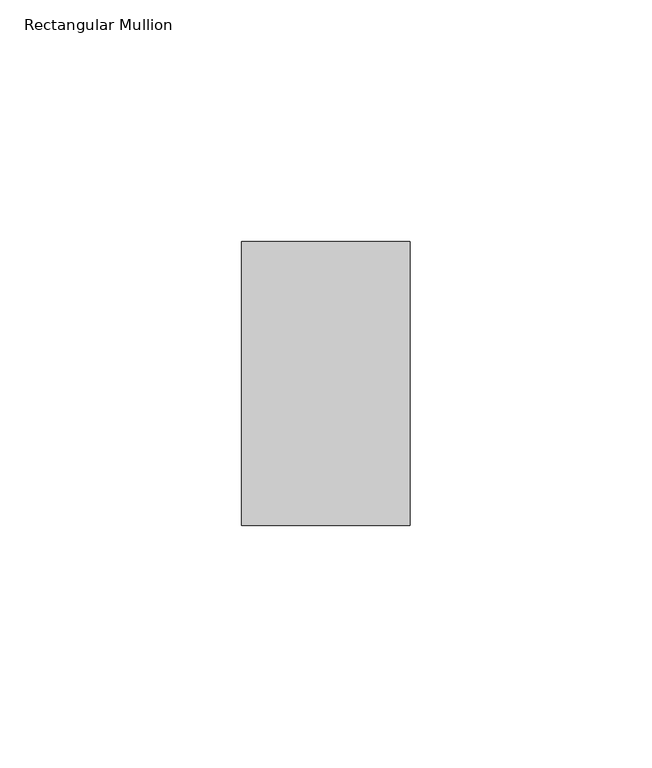
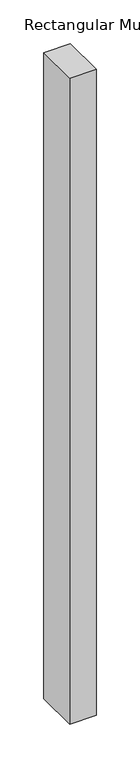
"""IFC4 building model written with IfcOpenShell, lengths in millimetres: member geometry, Rectangular Mullion."""

from ifc_helpers import new_model, si_unit, frame, origin, place, context, project, spatial, polyline, outline, extrude, source, transform, mapped, element, save


def rectangular_mullion_23d5e625(model_context):
    return source(origin(), model_context, "Body", "SweptSolid", [
        extrude(outline(polyline([(0.0, 29.36875), (0.0, -29.36875), (-34.925, -29.36875), (-34.925, 29.36875), (0.0, 29.36875)])), frame((0.0, 0.0, -900.43), z_axis=(0.0, 0.0, 1.0), x_axis=(1.0, 0.0, 0.0)), (0.0, 0.0, 1.0), 900.43),
    ])


if __name__ == "__main__":
    model = new_model("IFC4")
    model_context = context("Model", 3, world=origin())
    ifc_project = project(units=[si_unit("LENGTHUNIT", "METRE", prefix="MILLI")], contexts=[model_context])
    site = spatial("IfcSite", under=ifc_project)
    building = spatial("IfcBuilding", under=site)
    placement = place(None, origin())
    rectangular_mullion_shape = rectangular_mullion_23d5e625(model_context)
    element("IfcMember", 1, ObjectType="Rectangular Mullion", at=placement, inside=building, context=model_context, shape_type="MappedRepresentation", body=[
        mapped(rectangular_mullion_shape, transform((0.0, 0.0, 0.0), x_axis=(1.0, 0.0, 0.0), y_axis=(0.0, 1.0, 0.0), z_axis=(0.0, 0.0, 1.0))),
    ])
    save(model, "model.ifc")
